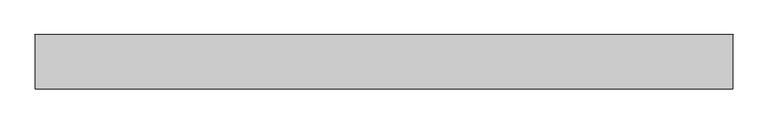
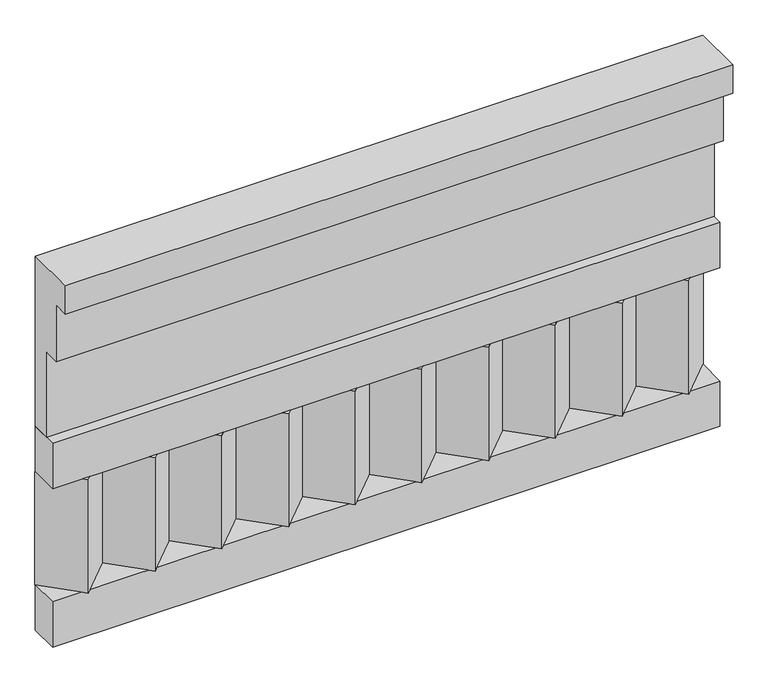
"""IFC4 building model written with IfcOpenShell, lengths in millimetres: railing geometry."""

from ifc_helpers import new_model, si_unit, frame, origin, place, context, project, spatial, polyline, outline, extrude, source, transform, mapped, element, save


def railing_eaa2071c(model_context):
    return source(origin(), model_context, "Body", "SweptSolid", [
        extrude(outline(polyline([(-16816.8920513, 21230.0), (-16816.8920513, 20780.0), (-16866.8920513, 20780.0), (-16866.8920513, 21005.0), (-16906.8920513, 21005.0), (-16906.8920513, 21155.0), (-16946.8920513, 21155.0), (-16946.8920513, 21230.0), (-16816.8920513, 21230.0)])), frame((5490.0112841, 0.0, 0.0), z_axis=(1.0, 0.0, 0.0), x_axis=(0.0, 1.0, 0.0)), (0.0, 0.0, 1.0), 1670.0),
        extrude(outline(polyline([(5490.0112841, -16891.8920513), (5490.0112841, -16816.8920513), (7160.0112841, -16816.8920513), (7160.0112841, -16891.8920513), (5490.0112841, -16891.8920513)])), frame((0.0, 0.0, 20660.0), z_axis=(0.0, 0.0, 1.0), x_axis=(1.0, 0.0, 0.0)), (0.0, 0.0, 1.0), 120.0),
        extrude(outline(polyline([(5490.0112841, -16891.8920513), (5490.0112841, -16816.8920513), (7160.0112841, -16816.8920513), (7160.0112841, -16891.8920513), (5490.0112841, -16891.8920513)])), frame((0.0, 0.0, 20240.0), z_axis=(0.0, 0.0, 1.0), x_axis=(1.0, 0.0, 0.0)), (0.0, 0.0, 1.0), 120.0),
        extrude(outline(polyline([(7076.5112841, -16901.7448651), (6991.6584704, -16816.8920513), (7161.3640978, -16816.8920513), (7076.5112841, -16901.7448651)])), frame((0.0, 0.0, 20360.0), z_axis=(0.0, 0.0, 1.0), x_axis=(1.0, 0.0, 0.0)), (0.0, 0.0, 1.0), 300.0),
        extrude(outline(polyline([(6909.5112841, -16901.7448651), (6824.6584704, -16816.8920513), (6994.3640978, -16816.8920513), (6909.5112841, -16901.7448651)])), frame((0.0, 0.0, 20360.0), z_axis=(0.0, 0.0, 1.0), x_axis=(1.0, 0.0, 0.0)), (0.0, 0.0, 1.0), 300.0),
        extrude(outline(polyline([(6742.5112841, -16901.7448651), (6657.6584704, -16816.8920513), (6827.3640978, -16816.8920513), (6742.5112841, -16901.7448651)])), frame((0.0, 0.0, 20360.0), z_axis=(0.0, 0.0, 1.0), x_axis=(1.0, 0.0, 0.0)), (0.0, 0.0, 1.0), 300.0),
        extrude(outline(polyline([(6575.5112841, -16901.7448651), (6490.6584704, -16816.8920513), (6660.3640978, -16816.8920513), (6575.5112841, -16901.7448651)])), frame((0.0, 0.0, 20360.0), z_axis=(0.0, 0.0, 1.0), x_axis=(1.0, 0.0, 0.0)), (0.0, 0.0, 1.0), 300.0),
        extrude(outline(polyline([(6408.5112841, -16901.7448651), (6323.6584704, -16816.8920513), (6493.3640978, -16816.8920513), (6408.5112841, -16901.7448651)])), frame((0.0, 0.0, 20360.0), z_axis=(0.0, 0.0, 1.0), x_axis=(1.0, 0.0, 0.0)), (0.0, 0.0, 1.0), 300.0),
        extrude(outline(polyline([(6241.5112841, -16901.7448651), (6156.6584704, -16816.8920513), (6326.3640978, -16816.8920513), (6241.5112841, -16901.7448651)])), frame((0.0, 0.0, 20360.0), z_axis=(0.0, 0.0, 1.0), x_axis=(1.0, 0.0, 0.0)), (0.0, 0.0, 1.0), 300.0),
        extrude(outline(polyline([(6074.5112841, -16901.7448651), (5989.6584704, -16816.8920513), (6159.3640978, -16816.8920513), (6074.5112841, -16901.7448651)])), frame((0.0, 0.0, 20360.0), z_axis=(0.0, 0.0, 1.0), x_axis=(1.0, 0.0, 0.0)), (0.0, 0.0, 1.0), 300.0),
        extrude(outline(polyline([(5907.5112841, -16901.7448651), (5822.6584704, -16816.8920513), (5992.3640978, -16816.8920513), (5907.5112841, -16901.7448651)])), frame((0.0, 0.0, 20360.0), z_axis=(0.0, 0.0, 1.0), x_axis=(1.0, 0.0, 0.0)), (0.0, 0.0, 1.0), 300.0),
        extrude(outline(polyline([(5740.5112841, -16901.7448651), (5655.6584704, -16816.8920513), (5825.3640978, -16816.8920513), (5740.5112841, -16901.7448651)])), frame((0.0, 0.0, 20360.0), z_axis=(0.0, 0.0, 1.0), x_axis=(1.0, 0.0, 0.0)), (0.0, 0.0, 1.0), 300.0),
        extrude(outline(polyline([(5573.5112841, -16901.7448651), (5488.6584704, -16816.8920513), (5658.3640978, -16816.8920513), (5573.5112841, -16901.7448651)])), frame((0.0, 0.0, 20360.0), z_axis=(0.0, 0.0, 1.0), x_axis=(1.0, 0.0, 0.0)), (0.0, 0.0, 1.0), 300.0),
    ])


if __name__ == "__main__":
    model = new_model("IFC4")
    model_context = context("Model", 3, world=origin())
    ifc_project = project(units=[si_unit("LENGTHUNIT", "METRE", prefix="MILLI")], contexts=[model_context])
    site = spatial("IfcSite", under=ifc_project)
    building = spatial("IfcBuilding", under=site)
    placement = place(None, origin())
    railing_shape = railing_eaa2071c(model_context)
    element("IfcRailing", 1, at=placement, inside=building, context=model_context, shape_type="MappedRepresentation", body=[
        mapped(railing_shape, transform((0.0, 0.0, 0.0), x_axis=(1.0, 0.0, 0.0), y_axis=(0.0, 1.0, 0.0), z_axis=(0.0, 0.0, 1.0))),
    ])
    save(model, "model.ifc")
